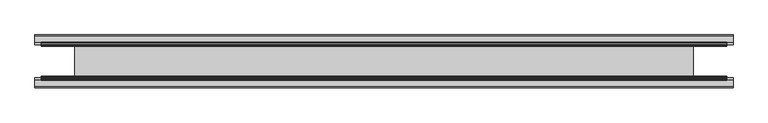
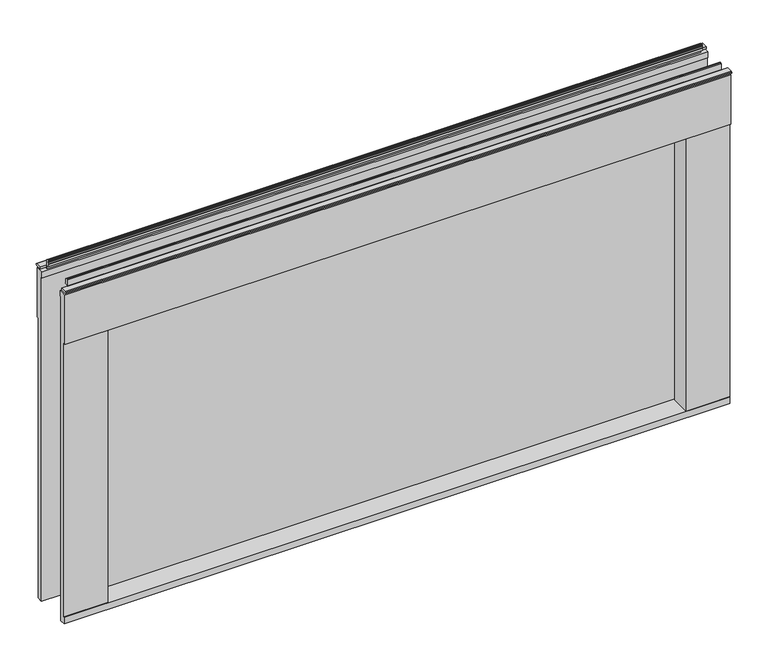
"""IFC4 building model written with IfcOpenShell, lengths in millimetres: furniture geometry."""

from ifc_helpers import new_model, si_unit, frame, origin, place, context, project, spatial, polyline, outline, extrude, faceted_brep, source, transform, mapped, element, save


def furniture_984068db(model_context):
    return source(origin(), model_context, "Body", "SolidModel", [
        extrude(outline(polyline([(-237.8709821, 36.2018407), (695.0709821, 36.2018407), (695.0709821, 33.0268415), (-237.8709821, 33.0268415), (-237.8709821, 36.2018407)])), frame((0.0, 0.0, 1146.3020109), z_axis=(0.0, 0.0, 1.0), x_axis=(1.0, 0.0, 0.0)), (0.0, 0.0, 1.0), 474.7259935),
        faceted_brep([(755.396, 8.0651816, 1686.2552003), (755.396, 8.0651816, 1143.8381927), (695.0709821, 8.0651816, 1143.8381927), (695.0709821, 8.0651816, 1621.6629947), (-237.8709821, 8.0651816, 1621.6629947), (-237.8709821, 8.0651816, 1143.8381927), (-298.196, 8.0651816, 1143.8381927), (-298.196, 8.0651816, 1686.2552003), (685.5460002, -0.3168185, 1612.9000121), (685.5460002, -0.3168185, 1154.8872108), (755.396, -0.3168185, 1154.8872108), (755.396, -0.3168185, 1612.9000121), (-228.3460002, -0.3168185, 1154.8872108), (-228.3460002, -0.3168185, 1612.9000121), (-298.196, -0.3168185, 1612.9000121), (-298.196, -0.3168185, 1154.8872108), (755.396, 9.461934, 1686.2552003), (755.396, 9.461934, 1695.7802003), (755.396, -3.7617339, 1695.7802003), (755.396, -3.7617339, 1612.9000121), (755.396, -1.206066, 1154.8872108), (755.396, -1.206066, 1143.8381927), (755.396, 59.5122543, 1695.7802003), (755.396, 59.5122543, 1686.2552003), (755.396, 60.9090067, 1686.2552003), (755.396, 60.9090067, 1143.8381927), (755.396, 70.1802522, 1143.8381927), (755.396, 70.1802522, 1154.8872108), (755.396, 69.2910068, 1154.8872108), (755.396, 69.2910068, 1612.9000121), (755.396, 72.7359223, 1612.9000121), (755.396, 72.7359223, 1695.7802003), (-298.196, -1.206066, 1143.8381927), (-237.8709821, 60.9090067, 1143.8381927), (-298.196, 60.9090067, 1143.8381927), (-298.196, 70.1802522, 1143.8381927), (695.0709821, 60.9090067, 1143.8381927), (-298.196, 9.461934, 1695.7802003), (-298.196, 9.461934, 1686.2552003), (-298.196, -1.206066, 1154.8872108), (-298.196, -3.7617339, 1612.9000121), (-298.196, -3.7617339, 1695.7802003), (-298.196, 60.9090067, 1686.2552003), (-298.196, 59.5122543, 1686.2552003), (-298.196, 59.5122543, 1695.7802003), (-298.196, 72.7359223, 1695.7802003), (-298.196, 72.7359223, 1612.9000121), (-298.196, 69.2910068, 1612.9000121), (-298.196, 69.2910068, 1154.8872108), (-298.196, 70.1802522, 1154.8872108), (-228.3460002, 28.7720935, 1612.9000121), (-237.8709821, 28.7720935, 1612.9000121), (-237.8709821, 33.0268415, 1612.9000121), (695.0709821, 33.0268415, 1612.9000121), (695.0709821, 28.7720935, 1612.9000121), (685.5460002, 28.7720935, 1612.9000121), (-228.3460002, 28.7720935, 1154.8872108), (685.5460002, 28.7720935, 1154.8872108), (695.0709821, 28.7720935, 1154.8872108), (695.0709821, 33.0268415, 1154.8872108), (-237.8709821, 33.0268415, 1154.8872108), (-237.8709821, 28.7720935, 1154.8872108), (685.5460002, 69.2910068, 1612.9000121), (685.5460002, 40.2020949, 1612.9000121), (695.0709821, 40.2020949, 1612.9000121), (695.0709821, 36.2018407, 1612.9000121), (-237.8709821, 36.2018407, 1612.9000121), (-237.8709821, 40.2020949, 1612.9000121), (-228.3460002, 40.2020949, 1612.9000121), (-228.3460002, 69.2910068, 1612.9000121), (-228.3460002, 69.2910068, 1154.8872108), (-228.3460002, 40.2020949, 1154.8872108), (-237.8709821, 40.2020949, 1154.8872108), (-237.8709821, 36.2018407, 1154.8872108), (695.0709821, 36.2018407, 1154.8872108), (695.0709821, 40.2020949, 1154.8872108), (685.5460002, 40.2020949, 1154.8872108), (685.5460002, 69.2910068, 1154.8872108), (-237.8709821, 60.9090067, 1621.6629947), (695.0709821, 60.9090067, 1621.6629947), (695.0709821, 33.0268415, 1621.0280044), (695.0709821, 36.2018407, 1621.0280044), (695.0709821, 36.2018407, 1146.3020109), (695.0709821, 33.0268415, 1146.3020109), (-237.8709821, 33.0268415, 1146.3020109), (-237.8709821, 36.2018407, 1146.3020109), (-237.8709821, 36.2018407, 1621.0280044), (-237.8709821, 33.0268415, 1621.0280044)], [[[0, 1, 2, 3, 4, 5, 6, 7]], [[8, 9, 10, 11]], [[12, 13, 14, 15]], [[0, 16, 17, 18, 19, 11, 10, 20, 21, 1]], [[22, 23, 24, 25, 26, 27, 28, 29, 30, 31]], [[21, 32, 6, 5, 33, 34, 35, 26, 25, 36, 2, 1]], [[37, 38, 7, 6, 32, 39, 15, 14, 40, 41]], [[42, 43, 44, 45, 46, 47, 48, 49, 35, 34]], [[17, 37, 41, 18]], [[8, 11, 19, 40, 14, 13, 50, 51, 52, 53, 54, 55]], [[50, 13, 12, 56]], [[56, 12, 15, 39, 20, 10, 9, 57, 58, 59, 60, 61]], [[57, 9, 8, 55]], [[16, 0, 7, 38]], [[17, 16, 38, 37]], [[44, 22, 31, 45]], [[23, 22, 44, 43]], [[24, 23, 43, 42]], [[19, 18, 41, 40]], [[30, 29, 62, 63, 64, 65, 66, 67, 68, 69, 47, 46]], [[31, 30, 46, 45]], [[21, 20, 39, 32]], [[28, 27, 49, 48, 70, 71, 72, 73, 74, 75, 76, 77]], [[27, 26, 35, 49]], [[69, 70, 48, 47]], [[77, 62, 29, 28]], [[25, 24, 42, 34, 33, 78, 79, 36]], [[70, 69, 68, 71]], [[62, 77, 76, 63]], [[71, 68, 67, 72]], [[63, 76, 75, 64]], [[2, 36, 79, 3], [59, 58, 54, 53, 80, 81, 65, 64, 75, 74, 82, 83]], [[78, 33, 5, 4], [52, 51, 61, 60, 84, 85, 73, 72, 67, 66, 86, 87]], [[3, 79, 78, 4]], [[82, 74, 73, 85]], [[83, 82, 85, 84]], [[59, 83, 84, 60]], [[80, 53, 52, 87]], [[81, 80, 87, 86]], [[65, 81, 86, 66]], [[50, 56, 61, 51]], [[57, 55, 54, 58]]]),
        extrude(outline(polyline([(63.4179323, 1701.8), (63.4179323, 1695.7802003), (62.6241823, 1695.7802003), (62.6241823, 1701.5669239), (61.8304323, 1701.8), (61.8304323, 1702.6663244), (58.1955501, 1702.6663244), (57.2995781, 1703.1836103), (58.569578, 1705.3833307), (58.7351872, 1706.5863459), (58.011828, 1709.5447591), (58.0987753, 1710.9461816), (58.9657521, 1712.0506926), (60.3064315, 1712.468), (61.8304323, 1712.468), (62.6241823, 1711.67425), (62.6241823, 1701.8), (63.4179323, 1701.8)])), frame((-288.671, 0.0, 0.0), z_axis=(1.0, 0.0, 0.0), x_axis=(0.0, 1.0, 0.0)), (0.0, 0.0, 1.0), 1034.542),
        extrude(outline(polyline([(63.4179323, 1701.8), (72.9492921, 1701.8), (74.3234223, 1701.0066395), (74.3234223, 1699.4183657), (72.9492824, 1698.6249996), (63.4179323, 1698.6249996), (63.4179323, 1701.8)])), frame((-298.196, 0.0, 0.0), z_axis=(1.0, 0.0, 0.0), x_axis=(0.0, 1.0, 0.0)), (0.0, 0.0, 1.0), 1053.592),
        extrude(outline(polyline([(5.5562561, 1701.8), (6.3500061, 1701.8), (6.3500061, 1711.67425), (7.1437561, 1712.468), (8.6677569, 1712.468), (10.0084363, 1712.0506926), (10.875413, 1710.9461816), (10.9623604, 1709.5447591), (10.2390011, 1706.5863459), (10.4046103, 1705.3833307), (11.6746103, 1703.1836103), (10.7786383, 1702.6663244), (7.1437561, 1702.6663244), (7.1437561, 1701.8), (6.3500061, 1701.5669239), (6.3500061, 1695.7802003), (5.5562561, 1695.7802003), (5.5562561, 1701.8)])), frame((-288.671, 0.0, 0.0), z_axis=(1.0, 0.0, 0.0), x_axis=(0.0, 1.0, 0.0)), (0.0, 0.0, 1.0), 1034.542),
        extrude(outline(polyline([(5.5562561, 1701.8), (5.5562561, 1698.6249996), (-3.975094, 1698.6249996), (-5.3492339, 1699.4183657), (-5.3492339, 1701.0066395), (-3.9751037, 1701.8), (5.5562561, 1701.8)])), frame((-298.196, 0.0, 0.0), z_axis=(1.0, 0.0, 0.0), x_axis=(0.0, 1.0, 0.0)), (0.0, 0.0, 1.0), 1053.592),
    ])


if __name__ == "__main__":
    model = new_model("IFC4")
    model_context = context("Model", 3, world=origin())
    ifc_project = project(units=[si_unit("LENGTHUNIT", "METRE", prefix="MILLI")], contexts=[model_context])
    site = spatial("IfcSite", under=ifc_project)
    building = spatial("IfcBuilding", under=site)
    placement = place(None, origin())
    furniture_shape = furniture_984068db(model_context)
    element("IfcFurniture", 1, at=placement, inside=building, context=model_context, shape_type="MappedRepresentation", body=[
        mapped(furniture_shape, transform((0.0, 0.0, 0.0), x_axis=(1.0, 0.0, 0.0), y_axis=(0.0, 1.0, 0.0), z_axis=(0.0, 0.0, 1.0))),
    ])
    save(model, "model.ifc")
